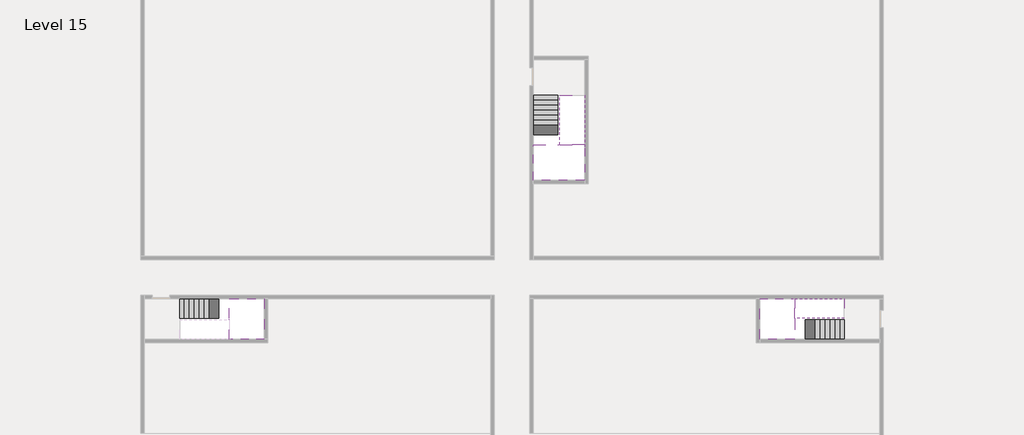
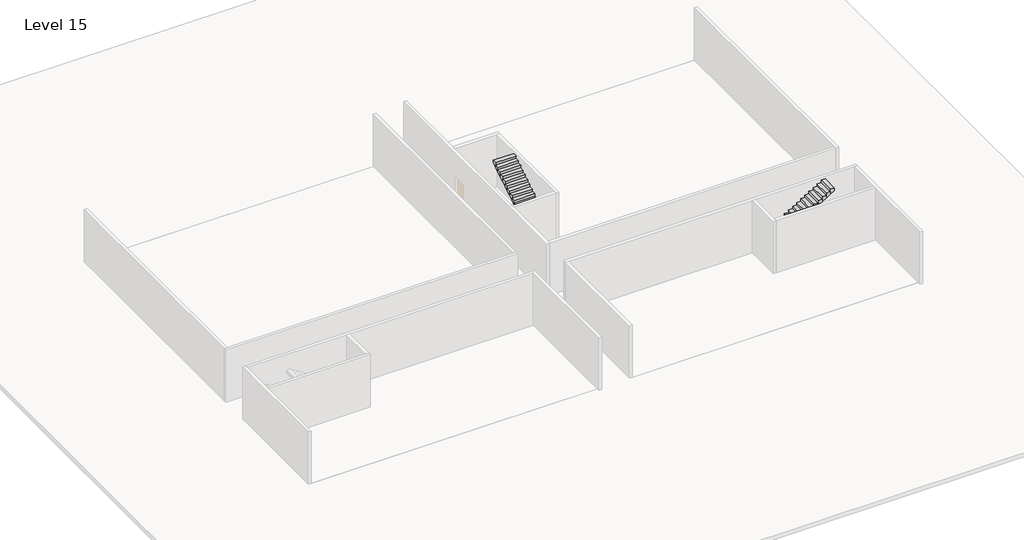
# One storey, part 2 of 2: 5 stair flights, 3 slabs.
"""IFC4 building model written with IfcOpenShell, lengths in millimetres."""

from ifc_helpers import new_model, si_unit, origin, place, context, project, spatial, faceted_brep, element, save

model = new_model("IFC4")

# Units and contexts
model_context = context("Model", 3, world=origin())
ifc_project = project(units=[si_unit("LENGTHUNIT", "METRE", prefix="MILLI")], contexts=[model_context])

# Site, building, storey
site = spatial("IfcSite", under=ifc_project)
building = spatial("IfcBuilding", under=site)
storey = spatial("IfcBuildingStorey", under=building, Name="Level 15", Elevation=53200.0)

# Slabs
placement = place(None, origin())
element("IfcSlab", 1, at=placement, inside=storey, context=model_context, shape_type="Brep", body=[
    faceted_brep([(8190.1058784, -42918.09644, 55100.0), (8190.1058784, -44018.09644, 55100.0), (8190.1058784, -44118.09644, 55100.0), (8190.1058784, -45218.09644, 55100.0), (8390.7194421, -45218.09644, 55100.0), (10190.1058784, -45218.09644, 55100.0), (10190.1058784, -42918.09644, 55100.0), (8269.4923146, -42918.09644, 55100.0), (8190.1058784, -42918.09644, 54927.2727273), (8190.1058784, -42918.09644, 54751.0278478), (8190.1058784, -44018.09644, 54751.0278478), (8190.1058784, -44018.09644, 54800.0), (8190.1058784, -44118.09644, 54800.0), (8190.1058784, -44118.09644, 54923.7551205), (8190.1058784, -45218.09644, 54923.7551205), (8390.7194421, -45218.09644, 54800.0), (10190.1058784, -45218.09644, 54800.0), (10190.1058784, -42918.09644, 54800.0), (8269.4923146, -42918.09644, 54800.0), (8390.7194421, -44118.09644, 54800.0), (8269.4923146, -44018.09644, 54800.0)], [[[0, 1, 2, 3, 4, 5, 6, 7]], [[1, 0, 8, 9, 10, 11]], [[2, 1, 11, 12, 13]], [[3, 2, 13, 14]], [[3, 14, 15, 16, 5, 4]], [[6, 5, 16, 17]], [[9, 8, 0, 7, 6, 17, 18]], [[19, 12, 11, 20, 18, 17, 16, 15]], [[12, 19, 13]], [[18, 20, 10, 9]], [[20, 11, 10]], [[19, 15, 14, 13]]]),
])
element("IfcSlab", 2, at=placement, inside=storey, context=model_context, shape_type="Brep", body=[
    faceted_brep([(40190.1058784, -45218.09644, 55100.0), (40190.1058784, -44118.09644, 55100.0), (40190.1058784, -44018.09644, 55100.0), (40190.1058784, -42918.09644, 55100.0), (39989.4923146, -42918.09644, 55100.0), (38190.1058784, -42918.09644, 55100.0), (38190.1058784, -45218.09644, 55100.0), (40110.7194421, -45218.09644, 55100.0), (40190.1058784, -45218.09644, 54927.2727273), (40190.1058784, -45218.09644, 54751.0278478), (40190.1058784, -44118.09644, 54751.0278478), (40190.1058784, -44118.09644, 54800.0), (40190.1058784, -44018.09644, 54800.0), (40190.1058784, -44018.09644, 54923.7551205), (40190.1058784, -42918.09644, 54923.7551205), (39989.4923146, -42918.09644, 54800.0), (38190.1058784, -42918.09644, 54800.0), (38190.1058784, -45218.09644, 54800.0), (40110.7194421, -45218.09644, 54800.0), (39989.4923146, -44018.09644, 54800.0), (40110.7194421, -44118.09644, 54800.0)], [[[0, 1, 2, 3, 4, 5, 6, 7]], [[1, 0, 8, 9, 10, 11]], [[2, 1, 11, 12, 13]], [[3, 2, 13, 14]], [[3, 14, 15, 16, 5, 4]], [[6, 5, 16, 17]], [[9, 8, 0, 7, 6, 17, 18]], [[19, 12, 11, 20, 18, 17, 16, 15]], [[12, 19, 13]], [[18, 20, 10, 9]], [[20, 11, 10]], [[19, 15, 14, 13]]]),
])
element("IfcSlab", 3, at=placement, inside=storey, context=model_context, shape_type="Brep", body=[
    faceted_brep([(26790.1058784, -34218.09644, 55100.0), (25390.1058784, -34218.09644, 55100.0), (25390.1058784, -34297.4828763, 55100.0), (25390.1058784, -36218.09644, 55100.0), (28290.1058784, -36218.09644, 55100.0), (28290.1058784, -34418.7100038, 55100.0), (28290.1058784, -34218.09644, 55100.0), (26890.1058784, -34218.09644, 55100.0), (26790.1058784, -34218.09644, 54800.0), (26790.1058784, -34218.09644, 54751.0278478), (25390.1058784, -34218.09644, 54751.0278478), (25390.1058784, -34218.09644, 54927.2727273), (25390.1058784, -34297.4828763, 54800.0), (25390.1058784, -36218.09644, 54800.0), (28290.1058784, -36218.09644, 54800.0), (28290.1058784, -34418.7100038, 54800.0), (28290.1058784, -34218.09644, 54923.7551205), (26890.1058784, -34218.09644, 54923.7551205), (26890.1058784, -34218.09644, 54800.0), (26890.1058784, -34418.7100038, 54800.0), (26790.1058784, -34297.4828763, 54800.0)], [[[0, 1, 2, 3, 4, 5, 6, 7]], [[1, 0, 8, 9, 10, 11]], [[1, 11, 10, 12, 13, 3, 2]], [[4, 3, 13, 14]], [[4, 14, 15, 16, 6, 5]], [[7, 6, 16, 17]], [[0, 7, 17, 18, 8]], [[18, 19, 15, 14, 13, 12, 20, 8]], [[19, 18, 17]], [[20, 12, 10, 9]], [[8, 20, 9]], [[15, 19, 17, 16]]]),
])

# Stair flights
element("IfcStairFlight", 4, at=placement, inside=storey, context=model_context, shape_type="Brep", body=[
    faceted_brep([(5670.1058784, -42918.09644, 53372.7272727), (5390.1058784, -42918.09644, 53372.7272727), (5390.1058784, -44018.09644, 53372.7272727), (5670.1058784, -44018.09644, 53372.7272727), (5670.1058784, -42918.09644, 53200.0), (5390.1058784, -42918.09644, 53200.0), (5390.1058784, -44018.09644, 53200.0), (5670.1058784, -44018.09644, 53200.0), (5950.1058784, -42918.09644, 53545.4545455), (5670.1058784, -42918.09644, 53545.4545455), (5670.1058784, -44018.09644, 53545.4545455), (5950.1058784, -44018.09644, 53545.4545455), (5950.1058784, -42918.09644, 53369.209666), (5675.8081041, -42918.09644, 53200.0), (5675.8081041, -44018.09644, 53200.0), (5950.1058784, -44018.09644, 53369.209666), (6230.1058784, -42918.09644, 53718.1818182), (5950.1058784, -42918.09644, 53718.1818182), (5950.1058784, -44018.09644, 53718.1818182), (6230.1058784, -44018.09644, 53718.1818182), (6230.1058784, -42918.09644, 53541.9369387), (6230.1058784, -44018.09644, 53541.9369387), (6510.1058784, -42918.09644, 53890.9090909), (6230.1058784, -42918.09644, 53890.9090909), (6230.1058784, -44018.09644, 53890.9090909), (6510.1058784, -44018.09644, 53890.9090909), (6510.1058784, -42918.09644, 53714.6642114), (6510.1058784, -44018.09644, 53714.6642114), (6790.1058784, -42918.09644, 54063.6363636), (6510.1058784, -42918.09644, 54063.6363636), (6510.1058784, -44018.09644, 54063.6363636), (6790.1058784, -44018.09644, 54063.6363636), (6790.1058784, -42918.09644, 53887.3914841), (6790.1058784, -44018.09644, 53887.3914841), (7070.1058784, -42918.09644, 54236.3636364), (6790.1058784, -42918.09644, 54236.3636364), (6790.1058784, -44018.09644, 54236.3636364), (7070.1058784, -44018.09644, 54236.3636364), (7070.1058784, -42918.09644, 54060.1187569), (7070.1058784, -44018.09644, 54060.1187569), (7350.1058784, -42918.09644, 54409.0909091), (7070.1058784, -42918.09644, 54409.0909091), (7070.1058784, -44018.09644, 54409.0909091), (7350.1058784, -44018.09644, 54409.0909091), (7350.1058784, -42918.09644, 54232.8460296), (7350.1058784, -44018.09644, 54232.8460296), (7630.1058784, -42918.09644, 54581.8181818), (7350.1058784, -42918.09644, 54581.8181818), (7350.1058784, -44018.09644, 54581.8181818), (7630.1058784, -44018.09644, 54581.8181818), (7630.1058784, -42918.09644, 54405.5733023), (7630.1058784, -44018.09644, 54405.5733023), (7910.1058784, -42918.09644, 54754.5454545), (7630.1058784, -42918.09644, 54754.5454545), (7630.1058784, -44018.09644, 54754.5454545), (7910.1058784, -44018.09644, 54754.5454545), (7910.1058784, -42918.09644, 54578.3005751), (7910.1058784, -44018.09644, 54578.3005751), (8190.1058784, -42918.09644, 54927.2727273), (7910.1058784, -42918.09644, 54927.2727273), (7910.1058784, -44018.09644, 54927.2727273), (8190.1058784, -44018.09644, 54927.2727273), (8190.1058784, -42918.09644, 54751.0278478), (8190.1058784, -44018.09644, 54751.0278478), (8190.1058784, -44018.09644, 54800.0)], [[[0, 1, 2, 3]], [[1, 0, 4, 5]], [[2, 1, 5, 6]], [[3, 2, 6, 7]], [[8, 9, 10, 11]], [[4, 0, 9, 8, 12, 13]], [[0, 3, 10, 9]], [[3, 7, 14, 15, 11, 10]], [[16, 17, 18, 19]], [[17, 16, 20, 12, 8]], [[8, 11, 18, 17]], [[19, 18, 11, 15, 21]], [[22, 23, 24, 25]], [[23, 22, 26, 20, 16]], [[16, 19, 24, 23]], [[25, 24, 19, 21, 27]], [[28, 29, 30, 31]], [[29, 28, 32, 26, 22]], [[22, 25, 30, 29]], [[31, 30, 25, 27, 33]], [[34, 35, 36, 37]], [[35, 34, 38, 32, 28]], [[28, 31, 36, 35]], [[37, 36, 31, 33, 39]], [[40, 41, 42, 43]], [[41, 40, 44, 38, 34]], [[34, 37, 42, 41]], [[43, 42, 37, 39, 45]], [[46, 47, 48, 49]], [[47, 46, 50, 44, 40]], [[40, 43, 48, 47]], [[49, 48, 43, 45, 51]], [[52, 53, 54, 55]], [[53, 52, 56, 50, 46]], [[46, 49, 54, 53]], [[55, 54, 49, 51, 57]], [[58, 59, 60, 61]], [[59, 58, 62, 56, 52]], [[52, 55, 60, 59]], [[61, 60, 55, 57, 63, 64]], [[58, 61, 64, 63, 62]], [[5, 4, 13, 14, 7, 6]], [[14, 13, 12, 20, 26, 32, 38, 44, 50, 56, 62, 63, 57, 51, 45, 39, 33, 27, 21, 15]]]),
])
element("IfcStairFlight", 5, at=placement, inside=storey, context=model_context, shape_type="Brep", body=[
    faceted_brep([(42710.1058784, -45218.09644, 53372.7272727), (42990.1058784, -45218.09644, 53372.7272727), (42990.1058784, -44118.09644, 53372.7272727), (42710.1058784, -44118.09644, 53372.7272727), (42710.1058784, -45218.09644, 53200.0), (42990.1058784, -45218.09644, 53200.0), (42990.1058784, -44118.09644, 53200.0), (42710.1058784, -44118.09644, 53200.0), (42430.1058784, -45218.09644, 53545.4545455), (42710.1058784, -45218.09644, 53545.4545455), (42710.1058784, -44118.09644, 53545.4545455), (42430.1058784, -44118.09644, 53545.4545455), (42430.1058784, -45218.09644, 53369.209666), (42704.4036527, -45218.09644, 53200.0), (42704.4036527, -44118.09644, 53200.0), (42430.1058784, -44118.09644, 53369.209666), (42150.1058784, -45218.09644, 53718.1818182), (42430.1058784, -45218.09644, 53718.1818182), (42430.1058784, -44118.09644, 53718.1818182), (42150.1058784, -44118.09644, 53718.1818182), (42150.1058784, -45218.09644, 53541.9369387), (42150.1058784, -44118.09644, 53541.9369387), (41870.1058784, -45218.09644, 53890.9090909), (42150.1058784, -45218.09644, 53890.9090909), (42150.1058784, -44118.09644, 53890.9090909), (41870.1058784, -44118.09644, 53890.9090909), (41870.1058784, -45218.09644, 53714.6642114), (41870.1058784, -44118.09644, 53714.6642114), (41590.1058784, -45218.09644, 54063.6363636), (41870.1058784, -45218.09644, 54063.6363636), (41870.1058784, -44118.09644, 54063.6363636), (41590.1058784, -44118.09644, 54063.6363636), (41590.1058784, -45218.09644, 53887.3914841), (41590.1058784, -44118.09644, 53887.3914841), (41310.1058784, -45218.09644, 54236.3636364), (41590.1058784, -45218.09644, 54236.3636364), (41590.1058784, -44118.09644, 54236.3636364), (41310.1058784, -44118.09644, 54236.3636364), (41310.1058784, -45218.09644, 54060.1187569), (41310.1058784, -44118.09644, 54060.1187569), (41030.1058784, -45218.09644, 54409.0909091), (41310.1058784, -45218.09644, 54409.0909091), (41310.1058784, -44118.09644, 54409.0909091), (41030.1058784, -44118.09644, 54409.0909091), (41030.1058784, -45218.09644, 54232.8460296), (41030.1058784, -44118.09644, 54232.8460296), (40750.1058784, -45218.09644, 54581.8181818), (41030.1058784, -45218.09644, 54581.8181818), (41030.1058784, -44118.09644, 54581.8181818), (40750.1058784, -44118.09644, 54581.8181818), (40750.1058784, -45218.09644, 54405.5733023), (40750.1058784, -44118.09644, 54405.5733023), (40470.1058784, -45218.09644, 54754.5454545), (40750.1058784, -45218.09644, 54754.5454545), (40750.1058784, -44118.09644, 54754.5454545), (40470.1058784, -44118.09644, 54754.5454545), (40470.1058784, -45218.09644, 54578.3005751), (40470.1058784, -44118.09644, 54578.3005751), (40190.1058784, -45218.09644, 54927.2727273), (40470.1058784, -45218.09644, 54927.2727273), (40470.1058784, -44118.09644, 54927.2727273), (40190.1058784, -44118.09644, 54927.2727273), (40190.1058784, -45218.09644, 54751.0278478), (40190.1058784, -44118.09644, 54751.0278478), (40190.1058784, -44118.09644, 54800.0)], [[[0, 1, 2, 3]], [[1, 0, 4, 5]], [[2, 1, 5, 6]], [[3, 2, 6, 7]], [[8, 9, 10, 11]], [[4, 0, 9, 8, 12, 13]], [[0, 3, 10, 9]], [[3, 7, 14, 15, 11, 10]], [[16, 17, 18, 19]], [[17, 16, 20, 12, 8]], [[8, 11, 18, 17]], [[19, 18, 11, 15, 21]], [[22, 23, 24, 25]], [[23, 22, 26, 20, 16]], [[16, 19, 24, 23]], [[25, 24, 19, 21, 27]], [[28, 29, 30, 31]], [[29, 28, 32, 26, 22]], [[22, 25, 30, 29]], [[31, 30, 25, 27, 33]], [[34, 35, 36, 37]], [[35, 34, 38, 32, 28]], [[28, 31, 36, 35]], [[37, 36, 31, 33, 39]], [[40, 41, 42, 43]], [[41, 40, 44, 38, 34]], [[34, 37, 42, 41]], [[43, 42, 37, 39, 45]], [[46, 47, 48, 49]], [[47, 46, 50, 44, 40]], [[40, 43, 48, 47]], [[49, 48, 43, 45, 51]], [[52, 53, 54, 55]], [[53, 52, 56, 50, 46]], [[46, 49, 54, 53]], [[55, 54, 49, 51, 57]], [[58, 59, 60, 61]], [[59, 58, 62, 56, 52]], [[52, 55, 60, 59]], [[61, 60, 55, 57, 63, 64]], [[58, 61, 64, 63, 62]], [[5, 4, 13, 14, 7, 6]], [[14, 13, 12, 20, 26, 32, 38, 44, 50, 56, 62, 63, 57, 51, 45, 39, 33, 27, 21, 15]]]),
])
element("IfcStairFlight", 6, at=placement, inside=storey, context=model_context, shape_type="Brep", body=[
    faceted_brep([(40470.1058784, -42918.09644, 55272.7272727), (40190.1058784, -42918.09644, 55272.7272727), (40190.1058784, -44018.09644, 55272.7272727), (40470.1058784, -44018.09644, 55272.7272727), (40470.1058784, -42918.09644, 55096.4823932), (40190.1058784, -42918.09644, 54923.7551205), (40190.1058784, -42918.09644, 55100.0), (40190.1058784, -44018.09644, 54923.7551205), (40470.1058784, -44018.09644, 55096.4823932), (40750.1058784, -42918.09644, 55445.4545455), (40470.1058784, -42918.09644, 55445.4545455), (40470.1058784, -44018.09644, 55445.4545455), (40750.1058784, -44018.09644, 55445.4545455), (40750.1058784, -42918.09644, 55269.209666), (40750.1058784, -44018.09644, 55269.209666), (41030.1058784, -42918.09644, 55618.1818182), (40750.1058784, -42918.09644, 55618.1818182), (40750.1058784, -44018.09644, 55618.1818182), (41030.1058784, -44018.09644, 55618.1818182), (41030.1058784, -42918.09644, 55441.9369387), (41030.1058784, -44018.09644, 55441.9369387), (41310.1058784, -42918.09644, 55790.9090909), (41030.1058784, -42918.09644, 55790.9090909), (41030.1058784, -44018.09644, 55790.9090909), (41310.1058784, -44018.09644, 55790.9090909), (41310.1058784, -42918.09644, 55614.6642114), (41310.1058784, -44018.09644, 55614.6642114), (41590.1058784, -42918.09644, 55963.6363636), (41310.1058784, -42918.09644, 55963.6363636), (41310.1058784, -44018.09644, 55963.6363636), (41590.1058784, -44018.09644, 55963.6363636), (41590.1058784, -42918.09644, 55787.3914841), (41590.1058784, -44018.09644, 55787.3914841), (41870.1058784, -42918.09644, 56136.3636364), (41590.1058784, -42918.09644, 56136.3636364), (41590.1058784, -44018.09644, 56136.3636364), (41870.1058784, -44018.09644, 56136.3636364), (41870.1058784, -42918.09644, 55960.1187569), (41870.1058784, -44018.09644, 55960.1187569), (42150.1058784, -42918.09644, 56309.0909091), (41870.1058784, -42918.09644, 56309.0909091), (41870.1058784, -44018.09644, 56309.0909091), (42150.1058784, -44018.09644, 56309.0909091), (42150.1058784, -42918.09644, 56132.8460296), (42150.1058784, -44018.09644, 56132.8460296), (42430.1058784, -42918.09644, 56481.8181818), (42150.1058784, -42918.09644, 56481.8181818), (42150.1058784, -44018.09644, 56481.8181818), (42430.1058784, -44018.09644, 56481.8181818), (42430.1058784, -42918.09644, 56305.5733023), (42430.1058784, -44018.09644, 56305.5733023), (42710.1058784, -42918.09644, 56654.5454545), (42430.1058784, -42918.09644, 56654.5454545), (42430.1058784, -44018.09644, 56654.5454545), (42710.1058784, -44018.09644, 56654.5454545), (42710.1058784, -42918.09644, 56478.3005751), (42710.1058784, -44018.09644, 56478.3005751), (42990.1058784, -42918.09644, 56827.2727273), (42710.1058784, -42918.09644, 56827.2727273), (42710.1058784, -44018.09644, 56827.2727273), (42990.1058784, -44018.09644, 56827.2727273), (42990.1058784, -42918.09644, 56651.0278478), (42990.1058784, -44018.09644, 56651.0278478)], [[[0, 1, 2, 3]], [[1, 0, 4, 5, 6]], [[2, 1, 6, 5, 7]], [[3, 2, 7, 8]], [[9, 10, 11, 12]], [[10, 9, 13, 4, 0]], [[11, 10, 0, 3]], [[12, 11, 3, 8, 14]], [[15, 16, 17, 18]], [[16, 15, 19, 13, 9]], [[17, 16, 9, 12]], [[18, 17, 12, 14, 20]], [[21, 22, 23, 24]], [[22, 21, 25, 19, 15]], [[23, 22, 15, 18]], [[24, 23, 18, 20, 26]], [[27, 28, 29, 30]], [[28, 27, 31, 25, 21]], [[29, 28, 21, 24]], [[30, 29, 24, 26, 32]], [[33, 34, 35, 36]], [[34, 33, 37, 31, 27]], [[35, 34, 27, 30]], [[36, 35, 30, 32, 38]], [[39, 40, 41, 42]], [[40, 39, 43, 37, 33]], [[41, 40, 33, 36]], [[42, 41, 36, 38, 44]], [[45, 46, 47, 48]], [[46, 45, 49, 43, 39]], [[47, 46, 39, 42]], [[48, 47, 42, 44, 50]], [[51, 52, 53, 54]], [[52, 51, 55, 49, 45]], [[53, 52, 45, 48]], [[54, 53, 48, 50, 56]], [[57, 58, 59, 60]], [[58, 57, 61, 55, 51]], [[59, 58, 51, 54]], [[60, 59, 54, 56, 62]], [[57, 60, 62, 61]], [[5, 4, 13, 19, 25, 31, 37, 43, 49, 55, 61, 62, 56, 50, 44, 38, 32, 26, 20, 14, 8, 7]]]),
])
element("IfcStairFlight", 7, at=placement, inside=storey, context=model_context, shape_type="Brep", body=[
    faceted_brep([(26790.1058784, -31698.09644, 53372.7272727), (26790.1058784, -31418.09644, 53372.7272727), (25390.1058784, -31418.09644, 53372.7272727), (25390.1058784, -31698.09644, 53372.7272727), (26790.1058784, -31698.09644, 53200.0), (26790.1058784, -31418.09644, 53200.0), (25390.1058784, -31418.09644, 53200.0), (25390.1058784, -31698.09644, 53200.0), (26790.1058784, -31978.09644, 53545.4545455), (26790.1058784, -31698.09644, 53545.4545455), (25390.1058784, -31698.09644, 53545.4545455), (25390.1058784, -31978.09644, 53545.4545455), (26790.1058784, -31978.09644, 53369.209666), (26790.1058784, -31703.7986657, 53200.0), (25390.1058784, -31703.7986657, 53200.0), (25390.1058784, -31978.09644, 53369.209666), (26790.1058784, -32258.09644, 53718.1818182), (26790.1058784, -31978.09644, 53718.1818182), (25390.1058784, -31978.09644, 53718.1818182), (25390.1058784, -32258.09644, 53718.1818182), (26790.1058784, -32258.09644, 53541.9369387), (25390.1058784, -32258.09644, 53541.9369387), (26790.1058784, -32538.09644, 53890.9090909), (26790.1058784, -32258.09644, 53890.9090909), (25390.1058784, -32258.09644, 53890.9090909), (25390.1058784, -32538.09644, 53890.9090909), (26790.1058784, -32538.09644, 53714.6642114), (25390.1058784, -32538.09644, 53714.6642114), (26790.1058784, -32818.09644, 54063.6363636), (26790.1058784, -32538.09644, 54063.6363636), (25390.1058784, -32538.09644, 54063.6363636), (25390.1058784, -32818.09644, 54063.6363636), (26790.1058784, -32818.09644, 53887.3914841), (25390.1058784, -32818.09644, 53887.3914841), (26790.1058784, -33098.09644, 54236.3636364), (26790.1058784, -32818.09644, 54236.3636364), (25390.1058784, -32818.09644, 54236.3636364), (25390.1058784, -33098.09644, 54236.3636364), (26790.1058784, -33098.09644, 54060.1187569), (25390.1058784, -33098.09644, 54060.1187569), (26790.1058784, -33378.09644, 54409.0909091), (26790.1058784, -33098.09644, 54409.0909091), (25390.1058784, -33098.09644, 54409.0909091), (25390.1058784, -33378.09644, 54409.0909091), (26790.1058784, -33378.09644, 54232.8460296), (25390.1058784, -33378.09644, 54232.8460296), (26790.1058784, -33658.09644, 54581.8181818), (26790.1058784, -33378.09644, 54581.8181818), (25390.1058784, -33378.09644, 54581.8181818), (25390.1058784, -33658.09644, 54581.8181818), (26790.1058784, -33658.09644, 54405.5733023), (25390.1058784, -33658.09644, 54405.5733023), (26790.1058784, -33938.09644, 54754.5454545), (26790.1058784, -33658.09644, 54754.5454545), (25390.1058784, -33658.09644, 54754.5454545), (25390.1058784, -33938.09644, 54754.5454545), (26790.1058784, -33938.09644, 54578.3005751), (25390.1058784, -33938.09644, 54578.3005751), (26790.1058784, -34218.09644, 54927.2727273), (26790.1058784, -33938.09644, 54927.2727273), (25390.1058784, -33938.09644, 54927.2727273), (25390.1058784, -34218.09644, 54927.2727273), (26790.1058784, -34218.09644, 54800.0), (26790.1058784, -34218.09644, 54751.0278478), (25390.1058784, -34218.09644, 54751.0278478)], [[[0, 1, 2, 3]], [[1, 0, 4, 5]], [[2, 1, 5, 6]], [[3, 2, 6, 7]], [[8, 9, 10, 11]], [[4, 0, 9, 8, 12, 13]], [[0, 3, 10, 9]], [[3, 7, 14, 15, 11, 10]], [[16, 17, 18, 19]], [[17, 16, 20, 12, 8]], [[8, 11, 18, 17]], [[19, 18, 11, 15, 21]], [[22, 23, 24, 25]], [[23, 22, 26, 20, 16]], [[16, 19, 24, 23]], [[25, 24, 19, 21, 27]], [[28, 29, 30, 31]], [[29, 28, 32, 26, 22]], [[22, 25, 30, 29]], [[31, 30, 25, 27, 33]], [[34, 35, 36, 37]], [[35, 34, 38, 32, 28]], [[28, 31, 36, 35]], [[37, 36, 31, 33, 39]], [[40, 41, 42, 43]], [[41, 40, 44, 38, 34]], [[34, 37, 42, 41]], [[43, 42, 37, 39, 45]], [[46, 47, 48, 49]], [[47, 46, 50, 44, 40]], [[40, 43, 48, 47]], [[49, 48, 43, 45, 51]], [[52, 53, 54, 55]], [[53, 52, 56, 50, 46]], [[46, 49, 54, 53]], [[55, 54, 49, 51, 57]], [[58, 59, 60, 61]], [[59, 58, 62, 63, 56, 52]], [[52, 55, 60, 59]], [[61, 60, 55, 57, 64]], [[58, 61, 64, 63, 62]], [[5, 4, 13, 14, 7, 6]], [[14, 13, 12, 20, 26, 32, 38, 44, 50, 56, 63, 64, 57, 51, 45, 39, 33, 27, 21, 15]]]),
])
element("IfcStairFlight", 8, at=placement, inside=storey, context=model_context, shape_type="Brep", body=[
    faceted_brep([(26890.1058784, -33938.09644, 55272.7272727), (26890.1058784, -34218.09644, 55272.7272727), (28290.1058784, -34218.09644, 55272.7272727), (28290.1058784, -33938.09644, 55272.7272727), (26890.1058784, -33938.09644, 55096.4823932), (26890.1058784, -34218.09644, 54923.7551205), (28290.1058784, -34218.09644, 54923.7551205), (28290.1058784, -34218.09644, 55100.0), (28290.1058784, -33938.09644, 55096.4823932), (26890.1058784, -33658.09644, 55445.4545455), (26890.1058784, -33938.09644, 55445.4545455), (28290.1058784, -33938.09644, 55445.4545455), (28290.1058784, -33658.09644, 55445.4545455), (26890.1058784, -33658.09644, 55269.209666), (28290.1058784, -33658.09644, 55269.209666), (26890.1058784, -33378.09644, 55618.1818182), (26890.1058784, -33658.09644, 55618.1818182), (28290.1058784, -33658.09644, 55618.1818182), (28290.1058784, -33378.09644, 55618.1818182), (26890.1058784, -33378.09644, 55441.9369387), (28290.1058784, -33378.09644, 55441.9369387), (26890.1058784, -33098.09644, 55790.9090909), (26890.1058784, -33378.09644, 55790.9090909), (28290.1058784, -33378.09644, 55790.9090909), (28290.1058784, -33098.09644, 55790.9090909), (26890.1058784, -33098.09644, 55614.6642114), (28290.1058784, -33098.09644, 55614.6642114), (26890.1058784, -32818.09644, 55963.6363636), (26890.1058784, -33098.09644, 55963.6363636), (28290.1058784, -33098.09644, 55963.6363636), (28290.1058784, -32818.09644, 55963.6363636), (26890.1058784, -32818.09644, 55787.3914841), (28290.1058784, -32818.09644, 55787.3914841), (26890.1058784, -32538.09644, 56136.3636364), (26890.1058784, -32818.09644, 56136.3636364), (28290.1058784, -32818.09644, 56136.3636364), (28290.1058784, -32538.09644, 56136.3636364), (26890.1058784, -32538.09644, 55960.1187569), (28290.1058784, -32538.09644, 55960.1187569), (26890.1058784, -32258.09644, 56309.0909091), (26890.1058784, -32538.09644, 56309.0909091), (28290.1058784, -32538.09644, 56309.0909091), (28290.1058784, -32258.09644, 56309.0909091), (26890.1058784, -32258.09644, 56132.8460296), (28290.1058784, -32258.09644, 56132.8460296), (26890.1058784, -31978.09644, 56481.8181818), (26890.1058784, -32258.09644, 56481.8181818), (28290.1058784, -32258.09644, 56481.8181818), (28290.1058784, -31978.09644, 56481.8181818), (26890.1058784, -31978.09644, 56305.5733023), (28290.1058784, -31978.09644, 56305.5733023), (26890.1058784, -31698.09644, 56654.5454545), (26890.1058784, -31978.09644, 56654.5454545), (28290.1058784, -31978.09644, 56654.5454545), (28290.1058784, -31698.09644, 56654.5454545), (26890.1058784, -31698.09644, 56478.3005751), (28290.1058784, -31698.09644, 56478.3005751), (26890.1058784, -31418.09644, 56827.2727273), (26890.1058784, -31698.09644, 56827.2727273), (28290.1058784, -31698.09644, 56827.2727273), (28290.1058784, -31418.09644, 56827.2727273), (26890.1058784, -31418.09644, 56651.0278478), (28290.1058784, -31418.09644, 56651.0278478)], [[[0, 1, 2, 3]], [[1, 0, 4, 5]], [[2, 1, 5, 6, 7]], [[3, 2, 7, 6, 8]], [[9, 10, 11, 12]], [[10, 9, 13, 4, 0]], [[11, 10, 0, 3]], [[12, 11, 3, 8, 14]], [[15, 16, 17, 18]], [[16, 15, 19, 13, 9]], [[17, 16, 9, 12]], [[18, 17, 12, 14, 20]], [[21, 22, 23, 24]], [[22, 21, 25, 19, 15]], [[23, 22, 15, 18]], [[24, 23, 18, 20, 26]], [[27, 28, 29, 30]], [[28, 27, 31, 25, 21]], [[29, 28, 21, 24]], [[30, 29, 24, 26, 32]], [[33, 34, 35, 36]], [[34, 33, 37, 31, 27]], [[35, 34, 27, 30]], [[36, 35, 30, 32, 38]], [[39, 40, 41, 42]], [[40, 39, 43, 37, 33]], [[41, 40, 33, 36]], [[42, 41, 36, 38, 44]], [[45, 46, 47, 48]], [[46, 45, 49, 43, 39]], [[47, 46, 39, 42]], [[48, 47, 42, 44, 50]], [[51, 52, 53, 54]], [[52, 51, 55, 49, 45]], [[53, 52, 45, 48]], [[54, 53, 48, 50, 56]], [[57, 58, 59, 60]], [[58, 57, 61, 55, 51]], [[59, 58, 51, 54]], [[60, 59, 54, 56, 62]], [[57, 60, 62, 61]], [[5, 4, 13, 19, 25, 31, 37, 43, 49, 55, 61, 62, 56, 50, 44, 38, 32, 26, 20, 14, 8, 6]]]),
])

save(model, "model.ifc")
